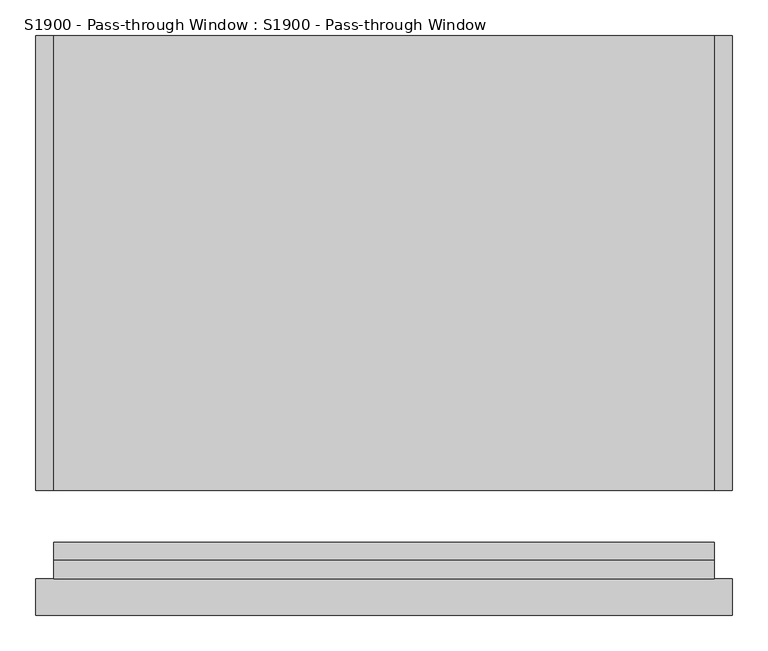
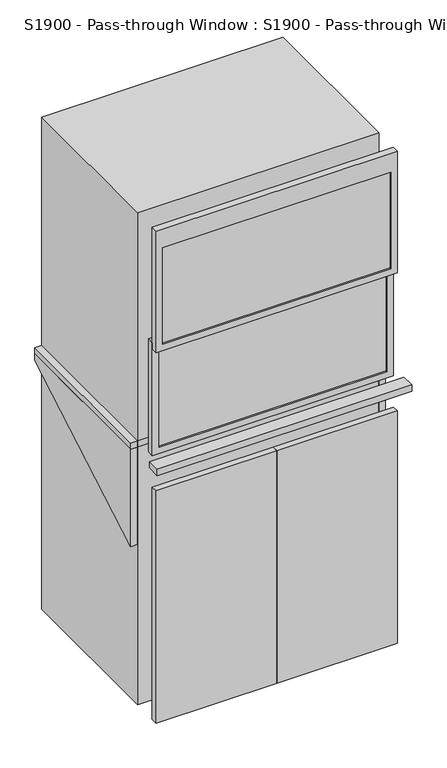
"""IFC4 building model written with IfcOpenShell, lengths in millimetres: proxy geometry, S1900 - Pass-through Window : S1900 - Pass-through Window."""

from ifc_helpers import new_model, si_unit, point, frame, frame_2d, origin, origin_with_axes, place, context, project, spatial, polyline, circle_curve, trimmed, segment, composite_curve, outline, extrude, source, transform, mapped, element, save


def s1900_pass_through_window_s1900_pass_through_window_465bcc6e(model_context):
    return source(origin(), model_context, "Body", "SweptSolid", [
        extrude(outline(polyline([(436.5625, -30.1625), (-436.5625, -30.1625), (-436.5625, -17.4625), (436.5625, -17.4625), (436.5625, -30.1625)])), frame((0.0, 0.0, 1092.2), z_axis=(0.0, 0.0, 1.0), x_axis=(1.0, 0.0, 0.0)), (0.0, 0.0, 1.0), 406.4),
        extrude(outline(polyline([(1066.8, 461.9625), (1524.0, 461.9625), (1524.0, -461.9625), (1066.8, -461.9625), (1066.8, 461.9625)]), holes=[polyline([(1092.2, -436.5625), (1498.6, -436.5625), (1498.6, 436.5625), (1092.2, 436.5625), (1092.2, -436.5625)])]), frame((0.0, -36.5125, 0.0), z_axis=(0.0, 1.0, 0.0), x_axis=(0.0, 0.0, 1.0)), (0.0, 0.0, 1.0), 25.4),
        extrude(outline(polyline([(436.5625, -55.5625), (-436.5625, -55.5625), (-436.5625, -42.8625), (436.5625, -42.8625), (436.5625, -55.5625)])), frame((0.0, 0.0, 1524.0), z_axis=(0.0, 0.0, 1.0), x_axis=(1.0, 0.0, 0.0)), (0.0, 0.0, 1.0), 390.525),
        extrude(outline(polyline([(1990.725, -461.9625), (1498.6, -461.9625), (1498.6, 461.9625), (1990.725, 461.9625), (1990.725, -461.9625)]), holes=[polyline([(1914.525, -436.5625), (1914.525, 436.5625), (1524.0, 436.5625), (1524.0, -436.5625), (1914.525, -436.5625)])]), frame((0.0, -61.9125, 0.0), z_axis=(0.0, 1.0, 0.0), x_axis=(0.0, 0.0, 1.0)), (0.0, 0.0, 1.0), 25.4),
        extrude(outline(polyline([(487.3625, -112.7125), (-487.3625, -112.7125), (-487.3625, -61.9125), (487.3625, -61.9125), (487.3625, -112.7125)])), frame((0.0, 0.0, 1041.4), z_axis=(0.0, 0.0, 1.0), x_axis=(1.0, 0.0, 0.0)), (0.0, 0.0, 1.0), 25.4),
        extrude(outline(polyline([(698.5, 1016.0), (61.9125, 648.4660355), (61.9125, 1041.4), (698.5, 1041.4), (698.5, 1016.0)])), frame((461.9625, 0.0, 0.0), z_axis=(1.0, 0.0, 0.0), x_axis=(0.0, 1.0, 0.0)), (0.0, 0.0, 1.0), 25.4),
        extrude(outline(polyline([(698.5, 1016.0), (61.9125, 648.4660355), (61.9125, 1041.4), (698.5, 1041.4), (698.5, 1016.0)])), frame((-487.3625, 0.0, 0.0), z_axis=(1.0, 0.0, 0.0), x_axis=(0.0, 1.0, 0.0)), (0.0, 0.0, 1.0), 25.4),
        extrude(outline(polyline([(487.3625, 61.9125), (-487.3625, 61.9125), (-487.3625, 698.5), (487.3625, 698.5), (487.3625, 61.9125)])), frame((0.0, 0.0, 1041.4), z_axis=(0.0, 0.0, 1.0), x_axis=(1.0, 0.0, 0.0)), (0.0, 0.0, 1.0), 25.4),
        extrude(outline(polyline([(-14.4089889, -36.5125), (-446.2089889, -36.5125), (-446.2089889, -11.1125), (-14.4089889, -11.1125), (-14.4089889, -36.5125)])), frame((0.0, 0.0, 76.2), z_axis=(0.0, 0.0, 1.0), x_axis=(1.0, 0.0, 0.0)), (0.0, 0.0, 1.0), 25.4),
        extrude(outline(polyline([(446.2089889, -36.5125), (14.4089889, -36.5125), (14.4089889, -11.1125), (446.2089889, -11.1125), (446.2089889, -36.5125)])), frame((0.0, 0.0, 76.2), z_axis=(0.0, 0.0, 1.0), x_axis=(1.0, 0.0, 0.0)), (0.0, 0.0, 1.0), 25.4),
        extrude(outline(composite_curve([segment(trimmed(circle_curve(frame_2d((893.373264, -56.4354069)), 19.05), [point((893.373264, -37.3854069))], [point((893.373264, -75.4854069))], False, "CARTESIAN"), True, "CONTINUOUS"), segment(trimmed(circle_curve(frame_2d((893.373264, -56.4354069)), 19.05), [point((893.373264, -75.4854069))], [point((893.373264, -37.3854069))], False, "CARTESIAN"), True, "CONTINUOUS")], self_intersect=False)), frame((0.0, -36.5125, 0.0), z_axis=(0.0, 1.0, 0.0), x_axis=(0.0, 0.0, 1.0)), (0.0, 0.0, 1.0), 25.4),
        extrude(outline(composite_curve([segment(trimmed(circle_curve(frame_2d((893.373264, 56.4354069)), 19.05), [point((893.373264, 37.3854069))], [point((893.373264, 75.4854069))], False, "CARTESIAN"), True, "CONTINUOUS"), segment(trimmed(circle_curve(frame_2d((893.373264, 56.4354069)), 19.05), [point((893.373264, 75.4854069))], [point((893.373264, 37.3854069))], False, "CARTESIAN"), True, "CONTINUOUS")], self_intersect=False)), frame((0.0, -36.5125, 0.0), z_axis=(0.0, 1.0, 0.0), x_axis=(0.0, 0.0, 1.0)), (0.0, 0.0, 1.0), 25.4),
        extrude(outline(polyline([(0.0, -61.9125), (-461.9625, -61.9125), (-461.9625, -36.5125), (0.0, -36.5125), (0.0, -61.9125)])), origin_with_axes(), (0.0, 0.0, 1.0), 939.8),
        extrude(outline(polyline([(461.9625, -61.9125), (0.0, -61.9125), (0.0, -36.5125), (461.9625, -36.5125), (461.9625, -61.9125)])), origin_with_axes(), (0.0, 0.0, 1.0), 939.8),
        extrude(outline(polyline([(461.9625, 698.5), (461.9625, 61.9125), (-461.9625, 61.9125), (-461.9625, 698.5), (461.9625, 698.5)])), origin_with_axes(), (0.0, 0.0, 1.0), 1990.725),
    ])


if __name__ == "__main__":
    model = new_model("IFC4")
    model_context = context("Model", 3, world=origin())
    ifc_project = project(units=[si_unit("LENGTHUNIT", "METRE", prefix="MILLI")], contexts=[model_context])
    site = spatial("IfcSite", under=ifc_project)
    building = spatial("IfcBuilding", under=site)
    placement = place(None, origin())
    s1900_pass_through_window_s1900_pass_through_window_shape = s1900_pass_through_window_s1900_pass_through_window_465bcc6e(model_context)
    element("IfcBuildingElementProxy", 1, Name="S1900 - Pass-through Window : S1900 - Pass-through Window", ObjectType="S1900 - Pass-through Window : S1900 - Pass-through Window", at=placement, inside=building, context=model_context, shape_type="MappedRepresentation", body=[
        mapped(s1900_pass_through_window_s1900_pass_through_window_shape, transform((0.0, 0.0, 0.0), x_axis=(1.0, 0.0, 0.0), y_axis=(0.0, 1.0, 0.0), z_axis=(0.0, 0.0, 1.0))),
    ])
    save(model, "model.ifc")
